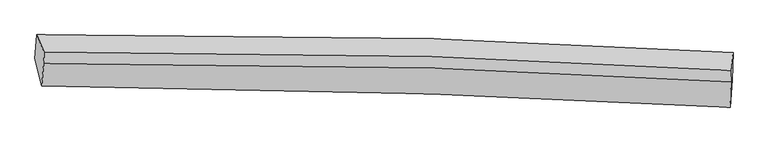
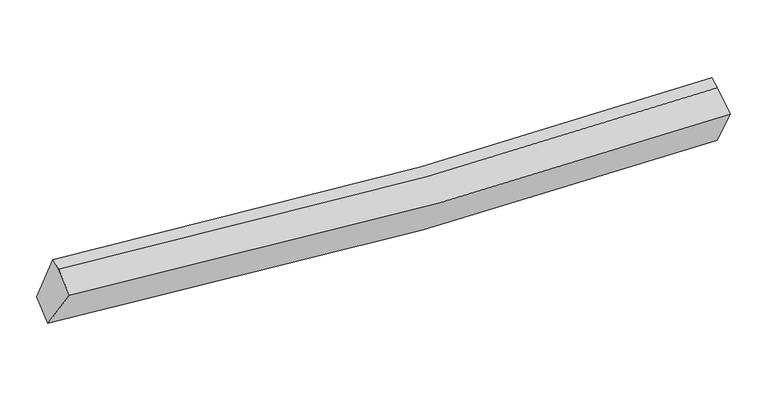
"""IFC4 building model written with IfcOpenShell, lengths in millimetres: proxy geometry."""

from ifc_helpers import new_model, si_unit, frame, origin, place, context, project, spatial, source, transform, mapped, element, save
from ifc_brep_helpers import plane_surface, spline_curve, spline_surface, advanced_brep


def generic_models_4553dd74(model_context):
    return source(origin(), model_context, "Body", "AdvancedBrep", [
        advanced_brep(
        [(-4236.998373, -1938.3242891, 2871.4714685), (-4212.99716, -1633.7081369, 3056.3800431), (4675.6512701, -1863.1298693, 2693.8977313), (4662.1938738, -2209.2224678, 2536.3504187), (-4149.5175052, -2291.9410395, 3459.8645898), (4637.3224018, -2560.7335593, 3131.9388134), (-4125.6894287, -2001.0717187, 3642.7641824), (4649.3210374, -2238.0262306, 3315.8980827), (-4119.7407885, -1854.4733222, 3692.7494186), (4655.2696777, -2091.4278342, 3365.8833189)],
        [
            (0, 1),
            (1, 2, spline_curve(3, [(-4212.99716, -1633.7081369, 3056.3800431), (-2542.380082235, -1616.616456319, 2835.851558629), (-870.802111306, -1633.534271966, 2701.302033031), (2092.469329082, -1723.763236018, 2615.248564964), (3383.774168461, -1783.319331102, 2628.970652459), (4675.6512701, -1863.1298693, 2693.8977313)], [4, 2, 4], [0.0, 16.50911358447281, 29.249535456795996])),
            (2, 3),
            (3, 0, spline_curve(3, [(4662.1938738, -2209.2224678, 2536.3504187), (3370.397609289, -2136.877847396, 2482.886486449), (2078.471579824, -2078.912618283, 2473.904071286), (-887.83771049, -1978.847995816, 2555.403116612), (-2562.309096744, -1946.513831902, 2676.092548883), (-4236.998373, -1938.3242891, 2871.4714685)], [4, 2, 4], [0.0, 12.740421872323186, 29.249535456795996])),
            (4, 0),
            (3, 5),
            (5, 4, spline_curve(3, [(4637.3224018, -2560.7335593, 3131.9388134), (3358.484540897, -2489.055076404, 3078.886398278), (2080.977966749, -2431.598997641, 3069.681206165), (-848.872762953, -2332.342872698, 3149.212584733), (-2500.312824265, -2300.20144503, 3267.726368574), (-4149.5175052, -2291.9410395, 3459.8645898)], [4, 2, 4], [0.0, 12.664479682479431, 29.075186930761156])),
            (6, 4),
            (5, 7),
            (7, 6, spline_curve(3, [(4649.3210374, -2238.0262306, 3315.8980827), (3371.486138942, -2160.005151823, 3254.548057035), (2095.293782722, -2100.982677713, 3240.592485319), (-830.825177593, -2009.095642718, 3317.361667903), (-2479.636309372, -1989.133279988, 3440.272605889), (-4125.6894287, -2001.0717187, 3642.7641824)], [4, 2, 4], [0.0, 12.57686702150869, 28.87404526848269])),
            (8, 6),
            (7, 9),
            (9, 8, spline_curve(3, [(4655.2696777, -2091.4278342, 3365.8833189), (3377.434779302, -2013.406755434, 3304.533293415), (2101.242422974, -1954.38428089, 3290.577721513), (-824.87653746, -1862.497246636, 3367.346904111), (-2473.687669168, -1842.534883442, 3490.257842293), (-4119.7407885, -1854.4733222, 3692.7494186)], [4, 2, 4], [0.0, 12.569309946634558, 28.856695691545934])),
            (1, 8),
            (9, 2),
        ],
        [
            spline_surface(3, 3, [[(-4236.998373, -1938.3242891, 2871.4714685), (-2562.309096859, -1946.513831817, 2676.092548775), (-887.83771064, -1978.847995682, 2555.403116792), (2078.47157994, -2078.912618387, 2473.904071147), (3370.397609343, -2136.877847465, 2482.88648655), (4662.1938738, -2209.2224678, 2536.3504187)], [(-4228.997968682, -1836.785571692, 2933.107660034), (-2555.666091987, -1836.548039977, 2729.345552014), (-882.159177598, -1863.74342112, 2604.036088966), (2083.13749636, -1960.529490909, 2521.018902359), (3374.856462412, -2019.025008681, 2531.581208613), (4666.679672569, -2093.858268304, 2588.866189593)], [(-4220.997564318, -1735.246854308, 2994.743851566), (-2549.023087068, -1726.582248162, 2782.598555251), (-876.480644533, -1748.63884658, 2652.669061119), (2087.803412805, -1842.146363454, 2568.13373355), (3379.315315472, -1901.172169885, 2580.275930596), (4671.165471331, -1978.494068796, 2641.381960407)], [(-4212.99716, -1633.7081369, 3056.3800431), (-2542.380082196, -1616.616456322, 2835.85155849), (-870.802111492, -1633.534272019, 2701.302033294), (2092.469329225, -1723.763235977, 2615.248564761), (3383.77416854, -1783.319331101, 2628.970652659), (4675.6512701, -1863.1298693, 2693.8977313)]], [4, 4], [4, 2, 4], [0.0, 1.239294464099664], [0.0, 16.50911358447281, 29.249535456795996]),
            spline_surface(3, 3, [[(-4149.5175052, -2291.9410395, 3459.8645898), (-2500.312824426, -2300.201445191, 3267.72636875), (-848.872762928, -2332.342872961, 3149.212584546), (2080.97796673, -2431.598997438, 3069.68120631), (3358.484540873, -2489.055076272, 3078.886398358), (4637.3224018, -2560.7335593, 3131.9388134)], [(-4178.677794457, -2174.068789385, 3263.733549377), (-2520.978248561, -2182.305574085, 3070.515095436), (-861.861078816, -2214.511247206, 2951.276095294), (2080.142504482, -2314.036871092, 2871.088827922), (3362.455563682, -2371.662666669, 2880.219761078), (4645.612892452, -2443.563195466, 2933.409348489)], [(-4207.838083743, -2056.196539215, 3067.602508923), (-2541.643672724, -2064.409702923, 2873.30382209), (-874.849394751, -2096.679621437, 2753.339606043), (2079.307042188, -2196.474744733, 2672.496449535), (3366.426586535, -2254.270257069, 2681.55312383), (4653.903383148, -2326.392831634, 2734.879883611)], [(-4236.998373, -1938.3242891, 2871.4714685), (-2562.309096859, -1946.513831817, 2676.092548775), (-887.83771064, -1978.847995682, 2555.403116792), (2078.47157994, -2078.912618387, 2473.904071147), (3370.397609343, -2136.877847465, 2482.88648655), (4662.1938738, -2209.2224678, 2536.3504187)]], [4, 4], [4, 2, 4], [0.0, 2.270234703820402], [0.0, 16.410707248281724, 29.075186930761156]),
            spline_surface(3, 3, [[(-4125.6894287, -2001.0717187, 3642.7641824), (-2479.63630958, -1989.1332798, 3440.27260606), (-830.825177413, -2009.095642968, 3317.36166782), (2095.293782583, -2100.98267752, 3240.592485383), (3371.486139072, -2160.005151636, 3254.548057049), (4649.3210374, -2238.0262306, 3315.8980827)], [(-4133.632120865, -2098.028158965, 3581.797651518), (-2486.528481193, -2092.822668262, 3382.757193608), (-836.841039249, -2116.844719629, 3261.311973395), (2090.521843968, -2211.18811749, 3183.622059025), (3367.152272998, -2269.688459836, 3195.994170811), (4645.321492192, -2345.595340155, 3254.578326259)], [(-4141.574813035, -2194.984599235, 3520.831120682), (-2493.420652812, -2196.512056729, 3325.241781203), (-842.856901092, -2224.593796299, 3205.262278971), (2085.749905345, -2321.393557468, 3126.651632668), (3362.818406947, -2379.371768072, 3137.440284596), (4641.321947008, -2453.164449745, 3193.258569841)], [(-4149.5175052, -2291.9410395, 3459.8645898), (-2500.312824426, -2300.201445191, 3267.72636875), (-848.872762928, -2332.342872961, 3149.212584546), (2080.97796673, -2431.598997438, 3069.68120631), (3358.484540873, -2489.055076272, 3078.886398358), (4637.3224018, -2560.7335593, 3131.9388134)]], [4, 4], [4, 2, 4], [0.0, 1.2056239783528557], [0.0, 16.297178246974, 28.87404526848269]),
            spline_surface(3, 3, [[(-4119.7407885, -1854.4733222, 3692.7494186), (-2473.68766938, -1842.5348833, 3490.25784226), (-824.876537213, -1862.497246468, 3367.34690402), (2101.242422783, -1954.38428102, 3290.577721583), (3377.434779372, -2013.406755236, 3304.533293249), (4655.2696777, -2091.4278342, 3365.8833189)], [(-4121.723668592, -1903.339454348, 3676.087673197), (-2475.670549472, -1891.401015448, 3473.596096857), (-826.859417305, -1911.363378616, 3350.685158617), (2099.259542691, -2003.250413168, 3273.91597618), (3375.45189928, -2062.272887384, 3287.871547846), (4653.286797608, -2140.293966348, 3349.221573497)], [(-4123.706548608, -1952.205586552, 3659.425927803), (-2477.653429488, -1940.267147652, 3456.934351463), (-828.842297321, -1960.22951082, 3334.023413223), (2097.276662675, -2052.116545372, 3257.254230786), (3373.469019164, -2111.139019488, 3271.209802452), (4651.303917492, -2189.160098452, 3332.559828103)], [(-4125.6894287, -2001.0717187, 3642.7641824), (-2479.63630958, -1989.1332798, 3440.27260606), (-830.825177413, -2009.095642968, 3317.36166782), (2095.293782583, -2100.98267752, 3240.592485383), (3371.486139072, -2160.005151636, 3254.548057049), (4649.3210374, -2238.0262306, 3315.8980827)]], [4, 4], [4, 2, 4], [0.0, 0.5085301837270342], [0.0, 16.287385744911376, 28.856695691545934]),
            spline_surface(3, 3, [[(-4212.99716, -1633.7081369, 3056.3800431), (-2542.380082196, -1616.616456322, 2835.85155849), (-870.802111492, -1633.534272019, 2701.302033294), (2092.469329225, -1723.763235977, 2615.248564761), (3383.77416854, -1783.319331101, 2628.970652659), (4675.6512701, -1863.1298693, 2693.8977313)], [(-4181.911702804, -1707.29653201, 3268.503168275), (-2519.482611227, -1691.922598658, 3053.986986421), (-855.493586717, -1709.855263526, 2923.316990199), (2095.39369376, -1800.636917682, 2840.358283698), (3381.661038829, -1860.015139141, 2854.158199517), (4668.857405978, -1939.229190928, 2917.892927162)], [(-4150.826245696, -1780.88492709, 3480.626293425), (-2496.585140348, -1767.228740964, 3272.122414329), (-840.185061988, -1786.17625496, 3145.331947115), (2098.318058249, -1877.510599315, 3065.468002646), (3379.547909083, -1936.710947196, 3079.345746391), (4662.063541822, -2015.328512572, 3141.888123038)], [(-4119.7407885, -1854.4733222, 3692.7494186), (-2473.68766938, -1842.5348833, 3490.25784226), (-824.876537213, -1862.497246468, 3367.34690402), (2101.242422783, -1954.38428102, 3290.577721583), (3377.434779372, -2013.406755236, 3304.533293249), (4655.2696777, -2091.4278342, 3365.8833189)]], [4, 4], [4, 2, 4], [0.0, 2.3235870052398893], [0.0, 16.3950643087197, 29.04747201360181]),
            plane_surface(frame((4655.9516522, -2192.5079922, 3008.793673), z_axis=(0.9988508611936959, -0.04558091085682186, 0.014810052602022974), x_axis=(-0.0322846229951961, -0.8683057616620048, -0.4949775827071605))),
            plane_surface(frame((-4168.9886511, -1943.9037013, 3344.6459405), z_axis=(-0.9898076843772717, -0.00831033457640127, 0.14216781030504605), x_axis=(-0.06720149460258629, -0.8529010908590438, -0.5177293581927065))),
        ],
        [
            (0, [[1, 2, 3, 4]]),
            (1, [[5, -4, 6, 7]]),
            (2, [[8, -7, 9, 10]]),
            (3, [[11, -10, 12, 13]]),
            (4, [[14, -13, 15, -2]]),
            (5, [[-9, -6, -3, -15, -12]]),
            (6, [[-1, -5, -8, -11, -14]]),
        ],
    ),
    ])


if __name__ == "__main__":
    model = new_model("IFC4")
    model_context = context("Model", 3, world=origin())
    ifc_project = project(units=[si_unit("LENGTHUNIT", "METRE", prefix="MILLI")], contexts=[model_context])
    site = spatial("IfcSite", under=ifc_project)
    building = spatial("IfcBuilding", under=site)
    placement = place(None, origin())
    generic_models_shape = generic_models_4553dd74(model_context)
    element("IfcBuildingElementProxy", 1, Name="Generic Models", at=placement, inside=building, context=model_context, shape_type="MappedRepresentation", body=[
        mapped(generic_models_shape, transform((0.0, 0.0, 0.0), x_axis=(1.0, 0.0, 0.0), y_axis=(0.0, 1.0, 0.0), z_axis=(0.0, 0.0, 1.0))),
    ])
    save(model, "model.ifc")
